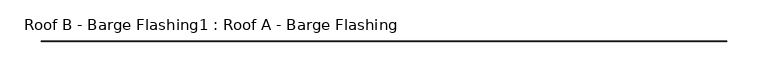
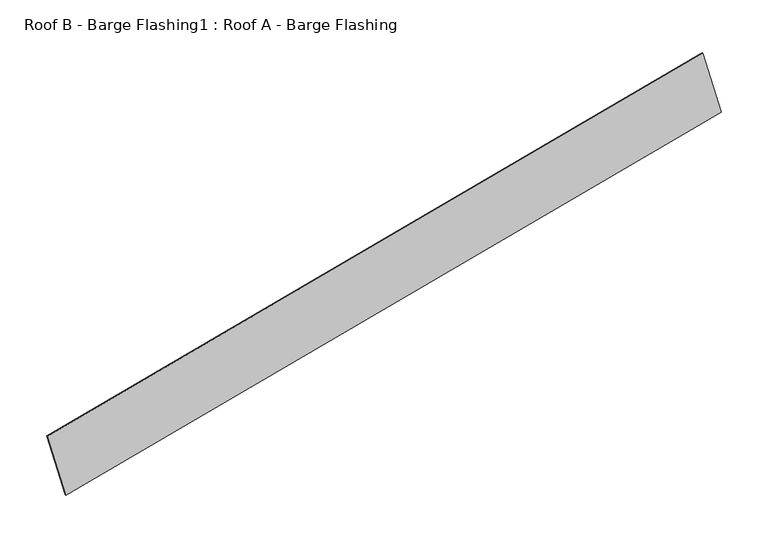
"""IFC4 building model written with IfcOpenShell, lengths in millimetres: proxy geometry, Roof B - Barge Flashing1 : Roof A - Barge Flashing."""

from ifc_helpers import new_model, si_unit, frame, origin, place, context, project, spatial, polyline, outline, extrude, source, transform, mapped, element, save


def roof_b_barge_flashing1_roof_a_barge_flashing_a355245e(model_context):
    return source(origin(), model_context, "Body", "SweptSolid", [
        extrude(outline(polyline([(0.0, -1.0), (0.0, 0.0), (840.0, 0.0), (840.0, -1.0), (0.0, -1.0)])), frame((11652.1513063, 8991.5950844, 3019.6086293), z_axis=(-0.25881904510218995, 0.0, 0.965925826289157), x_axis=(0.965925826289157, 0.0, 0.25881904510218995)), (0.0, 0.0, 1.0), 88.325),
    ])


if __name__ == "__main__":
    model = new_model("IFC4")
    model_context = context("Model", 3, world=origin())
    ifc_project = project(units=[si_unit("LENGTHUNIT", "METRE", prefix="MILLI")], contexts=[model_context])
    site = spatial("IfcSite", under=ifc_project)
    building = spatial("IfcBuilding", under=site)
    placement = place(None, origin())
    roof_b_barge_flashing1_roof_a_barge_flashing_shape = roof_b_barge_flashing1_roof_a_barge_flashing_a355245e(model_context)
    element("IfcBuildingElementProxy", 1, Name="Roof B - Barge Flashing1 : Roof A - Barge Flashing", ObjectType="Roof B - Barge Flashing1 : Roof A - Barge Flashing", at=placement, inside=building, context=model_context, shape_type="MappedRepresentation", body=[
        mapped(roof_b_barge_flashing1_roof_a_barge_flashing_shape, transform((0.0, 0.0, 0.0), x_axis=(1.0, 0.0, 0.0), y_axis=(0.0, 1.0, 0.0), z_axis=(0.0, 0.0, 1.0))),
    ])
    save(model, "model.ifc")
